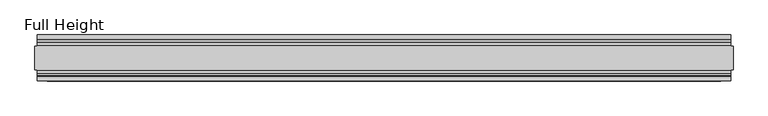
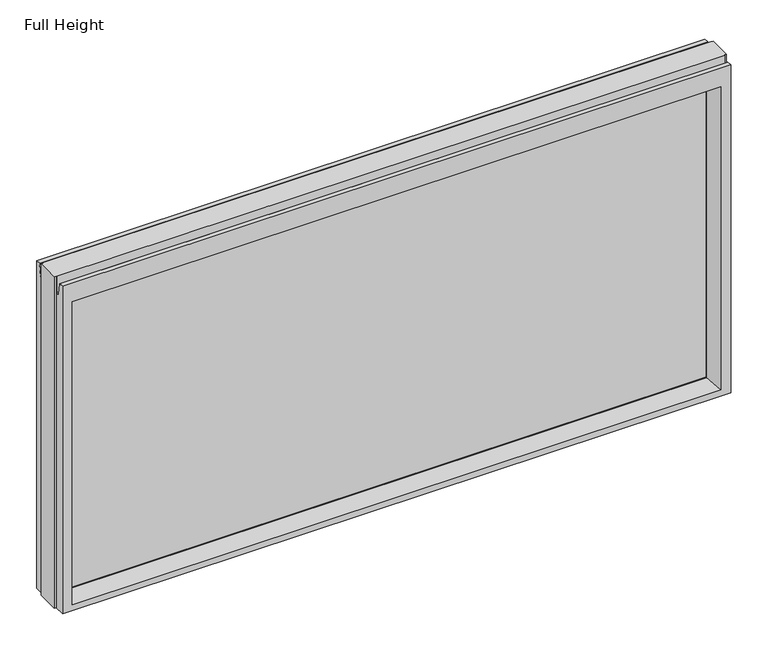
"""IFC4 building model written with IfcOpenShell, lengths in millimetres: plate geometry, Full Height."""

from ifc_helpers import new_model, si_unit, frame, origin, place, context, project, spatial, polyline, circle_curve, outline, extrude, source, transform, mapped, element, save
from ifc_brep_helpers import plane_surface, cylinder_surface, revolved_surface, advanced_brep


def full_height_11b1f49b(model_context):
    return source(origin(), model_context, "Body", "SolidModel", [
        advanced_brep(
        [(753.3259, -50.0, 0.0), (-753.3259, -50.0, 0.0), (-753.3259, -25.146, 0.0), (-757.8979, -25.146, 0.0), (-757.8979, 25.146, 0.0), (-753.3259, 25.146, 0.0), (-753.3259, 50.0, 0.0), (753.3259, 50.0, 0.0), (753.3259, 25.146, 0.0), (757.8979, 25.146, 0.0), (757.8979, -25.146, 0.0), (753.3259, -25.146, 0.0), (757.8979, -25.146, 789.94), (757.8979, 25.146, 789.94), (753.3259, 25.146, 789.94), (753.3259, 26.67, 789.94), (-753.3259, 26.67, 789.94), (-753.3259, 25.146, 789.94), (-757.8979, 25.146, 789.94), (-757.8979, -25.146, 789.94), (-753.3259, -25.146, 789.94), (-753.3259, -26.67, 789.94), (753.3259, -26.67, 789.94), (753.3259, -25.146, 789.94), (-753.3259, -26.67, 752.729), (753.3259, -26.67, 752.729), (-753.3259, 26.67, 752.729), (-753.3259, 34.2321175, 752.0674004), (-753.3259, 39.1867152, 780.1663199), (-753.3259, 39.9371387, 780.796), (-753.3259, 50.0, 780.796), (-753.3259, -50.0, 780.796), (-753.3259, -39.9371387, 780.796), (-753.3259, -39.1867152, 780.1663199), (-753.3259, -34.2321175, 752.0674004), (753.3259, 50.0, 780.796), (-731.2279, 50.0, 736.219), (-731.2279, 50.0, 13.9954), (731.2279, 50.0, 13.9954), (731.2279, 50.0, 736.219), (753.3259, -50.0, 780.796), (-731.2279, -50.0, 13.9954), (-731.2279, -50.0, 736.219), (731.2279, -50.0, 736.219), (731.2279, -50.0, 13.9954), (-725.2589, 6.1006519, 730.25), (-725.2589, 6.1006519, 18.3896), (-725.2589, -6.1006519, 18.3896), (-725.2589, -6.1006519, 730.25), (725.2589, -6.1006519, 730.25), (725.2589, -6.1006519, 18.3896), (725.2589, 6.1006519, 730.25), (725.2589, 6.1006519, 18.3896), (753.3259, -34.2321175, 752.0674004), (753.3259, -39.1867152, 780.1663199), (753.3259, -39.9371387, 780.796), (753.3259, 39.9371387, 780.796), (753.3259, 39.1867152, 780.1663199), (753.3259, 34.2321175, 752.0674004), (753.3259, 26.67, 752.729)],
        [
            (0, 1),
            (1, 2),
            (2, 3),
            (3, 4),
            (4, 5),
            (5, 6),
            (6, 7),
            (7, 8),
            (8, 9),
            (9, 10),
            (10, 11),
            (11, 0),
            (12, 13),
            (13, 14),
            (14, 15),
            (15, 16),
            (16, 17),
            (17, 18),
            (18, 19),
            (19, 20),
            (20, 21),
            (21, 22),
            (22, 23),
            (23, 12),
            (10, 12),
            (23, 11),
            (13, 9),
            (8, 14),
            (18, 4),
            (3, 19),
            (17, 5),
            (2, 20),
            (24, 25),
            (25, 22),
            (21, 24),
            (16, 26),
            (26, 27, circle_curve(frame((-753.3259, 30.48, 752.729), z_axis=(1.0, 0.0, 0.0), x_axis=(0.0, 1.0, 0.0)), 3.81)),
            (27, 28),
            (28, 29, circle_curve(frame((-753.3259, 39.9371387, 780.034), z_axis=(-1.0, 0.0, 0.0), x_axis=(0.0, 1.0, 0.0)), 0.762)),
            (29, 30),
            (30, 6),
            (1, 31),
            (31, 32),
            (32, 33, circle_curve(frame((-753.3259, -39.9371387, 780.034), z_axis=(-1.0, 0.0, 0.0), x_axis=(0.0, 1.0, 0.0)), 0.762)),
            (33, 34),
            (34, 24, circle_curve(frame((-753.3259, -30.48, 752.729), z_axis=(1.0, 0.0, 0.0), x_axis=(0.0, 1.0, 0.0)), 3.81)),
            (30, 35),
            (35, 7),
            (36, 37),
            (37, 38),
            (38, 39),
            (39, 36),
            (0, 40),
            (40, 31),
            (41, 42),
            (42, 43),
            (43, 44),
            (44, 41),
            (36, 45),
            (45, 46),
            (46, 37),
            (41, 47),
            (47, 48),
            (48, 42),
            (43, 49),
            (49, 50),
            (50, 44),
            (51, 39),
            (38, 52),
            (52, 51),
            (25, 53, circle_curve(frame((753.3259, -30.48, 752.729), z_axis=(-1.0, 0.0, 0.0), x_axis=(0.0, 1.0, 0.0)), 3.81)),
            (53, 54),
            (54, 55, circle_curve(frame((753.3259, -39.9371387, 780.034), z_axis=(1.0, 0.0, 0.0), x_axis=(0.0, 1.0, 0.0)), 0.762)),
            (55, 40),
            (35, 56),
            (56, 57, circle_curve(frame((753.3259, 39.9371387, 780.034), z_axis=(1.0, 0.0, 0.0), x_axis=(0.0, 1.0, 0.0)), 0.762)),
            (57, 58),
            (58, 59, circle_curve(frame((753.3259, 30.48, 752.729), z_axis=(-1.0, 0.0, 0.0), x_axis=(0.0, 1.0, 0.0)), 3.81)),
            (59, 15),
            (55, 32),
            (29, 56),
            (59, 26),
            (51, 45),
            (33, 54),
            (53, 34),
            (28, 57),
            (27, 58),
            (46, 52),
            (50, 47),
            (48, 49),
            (51, 49),
            (48, 45),
            (46, 47),
            (50, 52),
        ],
        [
            plane_surface(frame((-753.3259, 50.0, 0.0), z_axis=(0.0, 0.0, -1.0), x_axis=(0.0, -1.0, 0.0))),
            plane_surface(frame((753.3259, -25.146, 789.94), z_axis=(0.0, 0.0, 1.0), x_axis=(-1.0, 0.0, 0.0))),
            plane_surface(frame((757.8979, -25.146, 789.94), z_axis=(0.0, -1.0, 0.0), x_axis=(0.0, 0.0, -1.0))),
            plane_surface(frame((753.3259, 25.146, 789.94), z_axis=(0.0, 1.0, 0.0), x_axis=(0.0, 0.0, -1.0))),
            plane_surface(frame((757.8979, 25.146, 789.94), z_axis=(1.0, 0.0, 0.0), x_axis=(0.0, 0.0, -1.0))),
            plane_surface(frame((-757.8979, -25.146, 789.94), z_axis=(-1.0, 0.0, 0.0), x_axis=(0.0, 0.0, -1.0))),
            plane_surface(frame((-757.8979, 25.146, 789.94), z_axis=(0.0, 1.0, 0.0), x_axis=(0.0, 0.0, -1.0))),
            plane_surface(frame((-753.3259, -25.146, 789.94), z_axis=(0.0, -1.0, 0.0), x_axis=(0.0, 0.0, -1.0))),
            plane_surface(frame((-753.3259, -26.67, 789.94), z_axis=(0.0, -1.0, 0.0), x_axis=(1.0, 0.0, 0.0))),
            plane_surface(frame((-753.3259, -50.0, 748.0046), z_axis=(-1.0, 0.0, 0.0), x_axis=(0.0, 0.0, -1.0))),
            plane_surface(frame((-753.3259, 50.0, 748.0046), z_axis=(0.0, 1.0, 0.0), x_axis=(0.0, 0.0, -1.0))),
            plane_surface(frame((-731.2279, -50.0, 748.0046), z_axis=(0.0, -1.0, 0.0), x_axis=(0.0, 0.0, -1.0))),
            plane_surface(frame((-731.2279, 50.0, 748.0046), z_axis=(0.990882294353361, 0.13473039277393772, 0.0), x_axis=(0.0, 0.0, -1.0))),
            plane_surface(frame((-725.2589, -6.1006519, 748.0046), z_axis=(0.990882294353361, -0.13473039277393709, 0.0), x_axis=(0.0, 0.0, -1.0))),
            plane_surface(frame((731.2279, -50.0, 748.0046), z_axis=(-0.9908822943533622, -0.134730392773928, 0.0), x_axis=(0.0, 0.0, -1.0))),
            plane_surface(frame((725.2589, 6.1006519, 748.0046), z_axis=(-0.9908822943533581, 0.13473039277395868, 0.0), x_axis=(0.0, 0.0, -1.0))),
            plane_surface(frame((753.3259, 50.0, 748.0046), z_axis=(1.0, 0.0, 0.0), x_axis=(0.0, 0.0, -1.0))),
            plane_surface(frame((-753.3259, -39.9371387, 780.796), z_axis=(0.0, 0.0, 1.0), x_axis=(1.0, 0.0, 0.0))),
            plane_surface(frame((-753.3259, 50.0, 780.796), z_axis=(0.0, 0.0, 1.0), x_axis=(1.0, 0.0, 0.0))),
            plane_surface(frame((-753.3259, 26.67, 752.729), z_axis=(0.0, 1.0, 0.0), x_axis=(1.0, 0.0, 0.0))),
            plane_surface(frame((-753.3259, 6.1006519, 730.25), z_axis=(0.0, 0.13473039277393184, -0.9908822943533617), x_axis=(1.0, 0.0, 0.0))),
            plane_surface(frame((-753.3259, -34.2321175, 752.0674004), z_axis=(0.0, 0.9848077530122084, 0.17364817766692892), x_axis=(1.0, 0.0, 0.0))),
            revolved_surface(polyline([(753.3259, -26.67, 752.729), (-753.3259, -26.67, 752.729)]), (753.3259, -30.48, 752.729), (1.0, 0.0, 0.0)),
            cylinder_surface(frame((753.3259, -39.9371387, 780.034), z_axis=(-1.0, 0.0, 0.0), x_axis=(0.0, 1.0, 0.0)), 0.762),
            cylinder_surface(frame((753.3259, 39.9371387, 780.034), z_axis=(-1.0, 0.0, 0.0), x_axis=(0.0, 1.0, 0.0)), 0.762),
            plane_surface(frame((-753.3259, 39.1867152, 780.1663199), z_axis=(0.0, -0.9848077530122005, 0.1736481776669738), x_axis=(1.0, 0.0, 0.0))),
            revolved_surface(polyline([(753.3259, 34.29, 752.729), (-753.3259, 34.29, 752.729)]), (753.3259, 30.48, 752.729), (1.0, 0.0, 0.0)),
            plane_surface(frame((-753.3259, 50.0, 13.9954), z_axis=(0.0, 0.09959943661133767, 0.9950276138010965), x_axis=(1.0, 0.0, 0.0))),
            plane_surface(frame((-753.3259, -6.1006519, 18.3896), z_axis=(0.0, -0.0995994366113773, 0.9950276138010926), x_axis=(1.0, 0.0, 0.0))),
            plane_surface(frame((-753.3259, -50.0, 736.219), z_axis=(0.0, -0.13473039277391685, -0.9908822943533637), x_axis=(1.0, 0.0, 0.0))),
            plane_surface(frame((-753.3259, -6.1006519, 730.25), z_axis=(0.0, 0.0, -1.0), x_axis=(1.0, 0.0, 0.0))),
            plane_surface(frame((-753.3259, 6.1006519, 18.3896), z_axis=(0.0, 0.0, 1.0), x_axis=(1.0, 0.0, 0.0))),
            plane_surface(frame((-725.2589, 6.1006519, 748.0046), z_axis=(1.0, 0.0, 0.0), x_axis=(0.0, 0.0, -1.0))),
            plane_surface(frame((725.2589, -6.1006519, 748.0046), z_axis=(-1.0, 0.0, 0.0), x_axis=(0.0, 0.0, -1.0))),
        ],
        [
            (0, [[1, 2, 3, 4, 5, 6, 7, 8, 9, 10, 11, 12]]),
            (1, [[13, 14, 15, 16, 17, 18, 19, 20, 21, 22, 23, 24]]),
            (2, [[-11, 25, -24, 26]]),
            (3, [[27, -9, 28, -14]]),
            (4, [[-25, -10, -27, -13]]),
            (5, [[29, -4, 30, -19]]),
            (6, [[-5, -29, -18, 31]]),
            (7, [[-30, -3, 32, -20]]),
            (8, [[33, 34, -22, 35]]),
            (9, [[-31, -17, 36, 37, 38, 39, 40, 41, -6]]),
            (9, [[42, 43, 44, 45, 46, -35, -21, -32, -2]]),
            (10, [[47, 48, -7, -41], [49, 50, 51, 52]]),
            (11, [[53, 54, -42, -1], [55, 56, 57, 58]]),
            (12, [[59, 60, 61, -49]]),
            (13, [[62, 63, 64, -55]]),
            (14, [[65, 66, 67, -57]]),
            (15, [[68, -51, 69, 70]]),
            (16, [[-26, -23, -34, 71, 72, 73, 74, -53, -12]]),
            (16, [[75, 76, 77, 78, 79, -15, -28, -8, -48]]),
            (17, [[-54, -74, 80, -43]]),
            (18, [[81, -75, -47, -40]]),
            (19, [[-16, -79, 82, -36]]),
            (20, [[-68, 83, -59, -52]]),
            (21, [[84, -72, 85, -45]]),
            (22, [[-85, -71, -33, -46]]),
            (23, [[-80, -73, -84, -44]]),
            (24, [[86, -76, -81, -39]]),
            (25, [[87, -77, -86, -38]]),
            (26, [[-82, -78, -87, -37]]),
            (27, [[-61, 88, -69, -50]]),
            (28, [[-67, 89, -62, -58]]),
            (29, [[-64, 90, -65, -56]]),
            (30, [[91, -90, 92, -83]]),
            (31, [[93, -89, 94, -88]]),
            (32, [[-93, -60, -92, -63]]),
            (33, [[-94, -66, -91, -70]]),
        ],
    ),
        extrude(outline(polyline([(-725.2589, -3.175), (-725.2589, 3.175), (725.2589, 3.175), (725.2589, -3.175), (-725.2589, -3.175)])), frame((0.0, 0.0, 18.3896), z_axis=(0.0, 0.0, 1.0), x_axis=(1.0, 0.0, 0.0)), (0.0, 0.0, 1.0), 711.8604),
    ])


if __name__ == "__main__":
    model = new_model("IFC4")
    model_context = context("Model", 3, world=origin())
    ifc_project = project(units=[si_unit("LENGTHUNIT", "METRE", prefix="MILLI")], contexts=[model_context])
    site = spatial("IfcSite", under=ifc_project)
    building = spatial("IfcBuilding", under=site)
    placement = place(None, origin())
    full_height_shape = full_height_11b1f49b(model_context)
    element("IfcPlate", 1, ObjectType="Full Height", at=placement, inside=building, context=model_context, shape_type="MappedRepresentation", body=[
        mapped(full_height_shape, transform((0.0, 0.0, 0.0), x_axis=(1.0, 0.0, 0.0), y_axis=(0.0, 1.0, 0.0), z_axis=(0.0, 0.0, 1.0))),
    ])
    save(model, "model.ifc")
